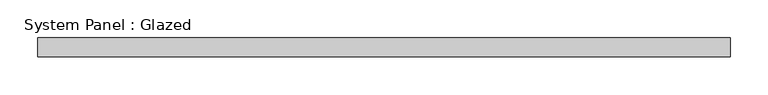
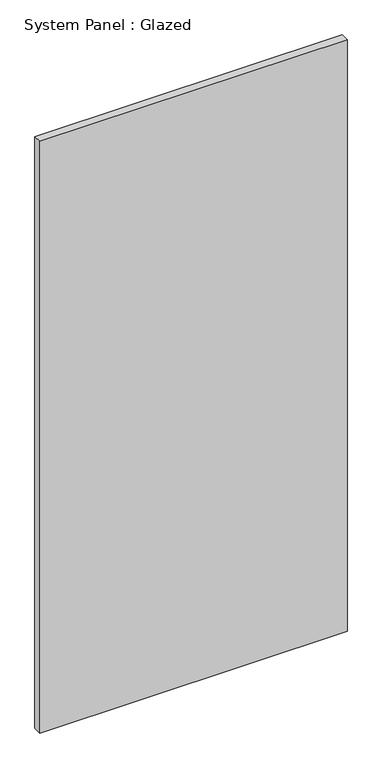
"""IFC4 building model written with IfcOpenShell, lengths in millimetres: plate geometry, System Panel : Glazed."""

from ifc_helpers import new_model, si_unit, origin, origin_with_axes, place, context, project, spatial, polyline, outline, extrude, source, transform, mapped, element, save


def system_panel_glazed_d786c56d(model_context):
    return source(origin(), model_context, "Body", "SweptSolid", [
        extrude(outline(polyline([(456.8117031, 24.5), (-456.8117031, 24.5), (-456.8117031, 49.5), (456.8117031, 49.5), (456.8117031, 24.5)])), origin_with_axes(), (0.0, 0.0, 1.0), 1859.8179025),
    ])


if __name__ == "__main__":
    model = new_model("IFC4")
    model_context = context("Model", 3, world=origin())
    ifc_project = project(units=[si_unit("LENGTHUNIT", "METRE", prefix="MILLI")], contexts=[model_context])
    site = spatial("IfcSite", under=ifc_project)
    building = spatial("IfcBuilding", under=site)
    placement = place(None, origin())
    system_panel_glazed_shape = system_panel_glazed_d786c56d(model_context)
    element("IfcPlate", 1, ObjectType="System Panel : Glazed", at=placement, inside=building, context=model_context, shape_type="MappedRepresentation", body=[
        mapped(system_panel_glazed_shape, transform((0.0, 0.0, 0.0), x_axis=(1.0, 0.0, 0.0), y_axis=(0.0, 1.0, 0.0), z_axis=(0.0, 0.0, 1.0))),
    ])
    save(model, "model.ifc")
